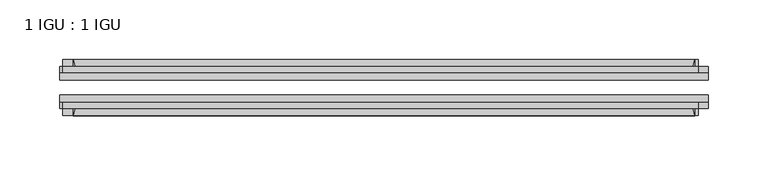
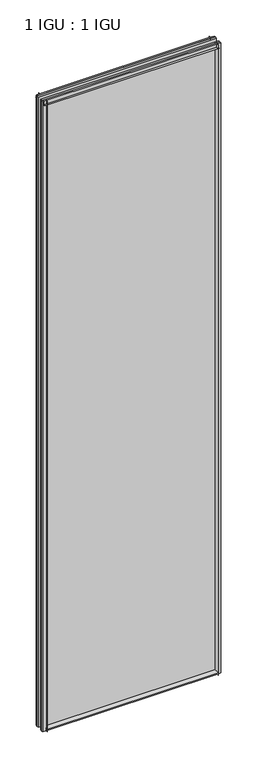
"""IFC4 building model written with IfcOpenShell, lengths in millimetres: plate geometry, 1 IGU : 1 IGU."""

from ifc_helpers import new_model, si_unit, point, frame, frame_2d, origin, place, context, project, spatial, polyline, circle_curve, trimmed, segment, composite_curve, outline, extrude, source, transform, mapped, element, save


def plate_1_igu_1_igu_7643122e(model_context):
    return source(origin(), model_context, "Body", "SweptSolid", [
        extrude(outline(composite_curve([segment(polyline([(-74.6252, -8.73125), (-74.6252, -0.0097454), (-80.6504332, -0.0097454)]), True, "CONTINUOUS"), segment(trimmed(circle_curve(frame_2d((-86.2258203, 32.2797688)), 32.7673262), [point((-80.6504332, -0.0097454))], [point((-69.85, 3.8979053))], True, "CARTESIAN"), True, "CONTINUOUS"), segment(polyline([(-69.85, 3.8979053), (-69.85, -8.73125), (-74.6252, -8.73125)]), True, "CONTINUOUS")], self_intersect=False)), frame((-260.3432531, 0.0, 0.0), z_axis=(1.0, 0.0, 0.0), x_axis=(0.0, 1.0, 0.0)), (0.0, 0.0, 1.0), 520.6865062),
        extrude(outline(composite_curve([segment(polyline([(-39.6748, -8.73125), (-44.45, -8.73125), (-44.45, 3.8979053)]), True, "CONTINUOUS"), segment(trimmed(circle_curve(frame_2d((-28.0741797, 32.2797688)), 32.7673262), [point((-44.45, 3.8979053))], [point((-33.6495668, -0.0097454))], True, "CARTESIAN"), True, "CONTINUOUS"), segment(polyline([(-33.6495668, -0.0097454), (-39.6748, -0.0097454), (-39.6748, -8.73125)]), True, "CONTINUOUS")], self_intersect=False)), frame((-260.3432531, 0.0, 0.0), z_axis=(1.0, 0.0, 0.0), x_axis=(0.0, 1.0, 0.0)), (0.0, 0.0, 1.0), 520.6865062),
        extrude(outline(composite_curve([segment(polyline([(-80.5942, 2012.1562438), (-74.6252, 2012.1562438), (-74.6252, 2023.2687438), (-69.85, 2023.2687438), (-69.85, 2008.2583533)]), True, "CONTINUOUS"), segment(trimmed(circle_curve(frame_2d((-86.2258203, 1979.8764898)), 32.7673262), [point((-69.85, 2008.2583533))], [point((-80.5942, 2012.1562438))], True, "CARTESIAN"), True, "CONTINUOUS")], self_intersect=False)), frame((-268.8559918, 0.0, 0.0), z_axis=(1.0, 0.0, 0.0), x_axis=(0.0, 1.0, 0.0)), (0.0, 0.0, 1.0), 531.7452064),
        extrude(outline(composite_curve([segment(polyline([(-39.6748, 2023.2687438), (-39.6748, 2012.1562438), (-33.7058, 2012.1562438)]), True, "CONTINUOUS"), segment(trimmed(circle_curve(frame_2d((-28.0741797, 1979.8764898)), 32.7673262), [point((-33.7058, 2012.1562438))], [point((-44.45, 2008.2583533))], True, "CARTESIAN"), True, "CONTINUOUS"), segment(polyline([(-44.45, 2008.2583533), (-44.45, 2023.2687438), (-39.6748, 2023.2687438)]), True, "CONTINUOUS")], self_intersect=False)), frame((-268.8559918, 0.0, 0.0), z_axis=(1.0, 0.0, 0.0), x_axis=(0.0, 1.0, 0.0)), (0.0, 0.0, 1.0), 531.7452064),
        extrude(outline(composite_curve([segment(polyline([(271.4557531, -39.6748), (271.4557531, -44.45), (256.4453626, -44.45)]), True, "CONTINUOUS"), segment(trimmed(circle_curve(frame_2d((228.0634992, -28.0741797)), 32.7673262), [point((256.4453626, -44.45))], [point((260.3432531, -33.7058))], True, "CARTESIAN"), True, "CONTINUOUS"), segment(polyline([(260.3432531, -33.7058), (260.3432531, -39.6748), (271.4557531, -39.6748)]), True, "CONTINUOUS")], self_intersect=False)), frame((0.0, 0.0, -8.73125), z_axis=(0.0, 0.0, 1.0), x_axis=(1.0, 0.0, 0.0)), (0.0, 0.0, 1.0), 2031.9999938),
        extrude(outline(composite_curve([segment(polyline([(271.4557531, -69.85), (271.4557531, -74.6252), (260.3432531, -74.6252), (260.3432531, -80.5942)]), True, "CONTINUOUS"), segment(trimmed(circle_curve(frame_2d((228.0634992, -86.2258203)), 32.7673262), [point((260.3432531, -80.5942))], [point((256.4453626, -69.85))], True, "CARTESIAN"), True, "CONTINUOUS"), segment(polyline([(256.4453626, -69.85), (271.4557531, -69.85)]), True, "CONTINUOUS")], self_intersect=False)), frame((0.0, 0.0, -8.73125), z_axis=(0.0, 0.0, 1.0), x_axis=(1.0, 0.0, 0.0)), (0.0, 0.0, 1.0), 2031.9999938),
        extrude(outline(composite_curve([segment(polyline([(-271.4557531, -39.6748), (-260.3432531, -39.6748), (-260.3432531, -33.7058)]), True, "CONTINUOUS"), segment(trimmed(circle_curve(frame_2d((-228.0634992, -28.0741797)), 32.7673262), [point((-260.3432531, -33.7058))], [point((-256.4453626, -44.45))], True, "CARTESIAN"), True, "CONTINUOUS"), segment(polyline([(-256.4453626, -44.45), (-271.4557531, -44.45), (-271.4557531, -39.6748)]), True, "CONTINUOUS")], self_intersect=False)), frame((0.0, 0.0, -8.73125), z_axis=(0.0, 0.0, 1.0), x_axis=(1.0, 0.0, 0.0)), (0.0, 0.0, 1.0), 2031.9999938),
        extrude(outline(composite_curve([segment(polyline([(-271.4557531, -74.6252), (-271.4557531, -69.85), (-256.4453626, -69.85)]), True, "CONTINUOUS"), segment(trimmed(circle_curve(frame_2d((-228.0634992, -86.2258203)), 32.7673262), [point((-256.4453626, -69.85))], [point((-260.3432531, -80.5942))], True, "CARTESIAN"), True, "CONTINUOUS"), segment(polyline([(-260.3432531, -80.5942), (-260.3432531, -74.6252), (-271.4557531, -74.6252)]), True, "CONTINUOUS")], self_intersect=False)), frame((0.0, 0.0, -8.73125), z_axis=(0.0, 0.0, 1.0), x_axis=(1.0, 0.0, 0.0)), (0.0, 0.0, 1.0), 2031.9999938),
        extrude(outline(polyline([(-271.4557531, -69.85), (-271.4557531, -63.5508), (271.4557531, -63.5508), (271.4557531, -69.85), (-271.4557531, -69.85)])), frame((0.0, 0.0, -8.73125), z_axis=(0.0, 0.0, 1.0), x_axis=(1.0, 0.0, 0.0)), (0.0, 0.0, 1.0), 2031.9999938),
        extrude(outline(polyline([(271.4557531, -50.7492), (-271.4557531, -50.7492), (-271.4557531, -44.45), (271.4557531, -44.45), (271.4557531, -50.7492)])), frame((0.0, 0.0, -8.73125), z_axis=(0.0, 0.0, 1.0), x_axis=(1.0, 0.0, 0.0)), (0.0, 0.0, 1.0), 2031.9999938),
    ])


if __name__ == "__main__":
    model = new_model("IFC4")
    model_context = context("Model", 3, world=origin())
    ifc_project = project(units=[si_unit("LENGTHUNIT", "METRE", prefix="MILLI")], contexts=[model_context])
    site = spatial("IfcSite", under=ifc_project)
    building = spatial("IfcBuilding", under=site)
    placement = place(None, origin())
    plate_1_igu_1_igu_shape = plate_1_igu_1_igu_7643122e(model_context)
    element("IfcPlate", 1, ObjectType="1 IGU : 1 IGU", at=placement, inside=building, context=model_context, shape_type="MappedRepresentation", body=[
        mapped(plate_1_igu_1_igu_shape, transform((0.0, 0.0, 0.0), x_axis=(1.0, 0.0, 0.0), y_axis=(0.0, 1.0, 0.0), z_axis=(0.0, 0.0, 1.0))),
    ])
    save(model, "model.ifc")
